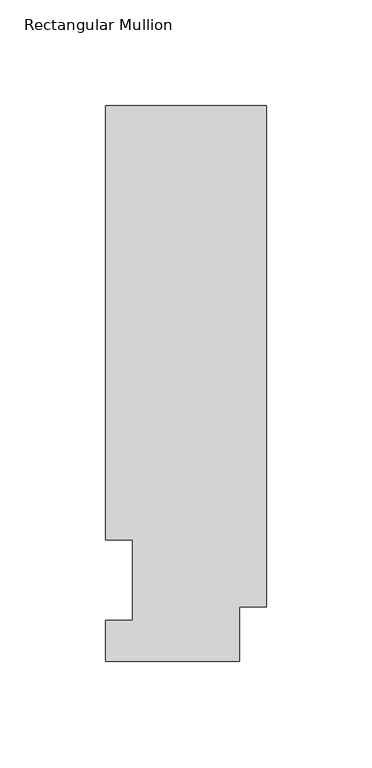
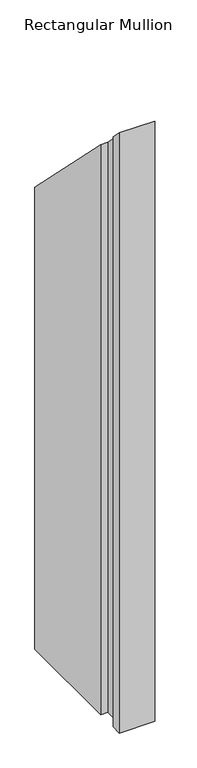
"""IFC4 building model written with IfcOpenShell, lengths in millimetres: member geometry, Rectangular Mullion."""

from ifc_helpers import new_model, si_unit, origin, place, context, project, spatial, faceted_brep, source, transform, mapped, element, save


def rectangular_mullion_7ae78ae8(model_context):
    return source(origin(), model_context, "Body", "Brep", [
        faceted_brep([(0.0, 263.2336938, -1143.0134937), (0.0, 25.8955957, -1143.0134937), (-12.7, 25.8955957, -1143.0134937), (-12.7, 0.0134938, -1143.0134937), (-76.2, 0.0134938, -1143.0134937), (-76.2, 19.5460938, -1143.0134937), (-63.5, 19.5460938, -1143.0134937), (-63.5, 57.6460938, -1143.0134937), (-76.2, 57.6460937, -1143.0134937), (-76.2, 263.2336938, -1143.0134937), (-76.2, 263.2336938, -263.2336938), (0.0, 263.2336938, -263.2336938), (-76.2, 57.6460937, -57.6460938), (-63.5, 57.6460937, -57.6460938), (-63.5, 19.5460938, -19.5460938), (-76.2, 19.5460938, -19.5460938), (-76.2, 0.0134938, -0.0134938), (-12.7, 0.0134938, -0.0134938), (-12.7, 25.8955957, -25.8955957), (0.0, 25.8955957, -25.8955957)], [[[0, 1, 2, 3, 4, 5, 6, 7, 8, 9]], [[10, 11, 0, 9]], [[12, 10, 9, 8]], [[13, 12, 8, 7]], [[14, 13, 7, 6]], [[15, 14, 6, 5]], [[16, 15, 5, 4]], [[17, 16, 4, 3]], [[18, 17, 3, 2]], [[19, 18, 2, 1]], [[11, 19, 1, 0]], [[11, 10, 12, 13, 14, 15, 16, 17, 18, 19]]]),
    ])


if __name__ == "__main__":
    model = new_model("IFC4")
    model_context = context("Model", 3, world=origin())
    ifc_project = project(units=[si_unit("LENGTHUNIT", "METRE", prefix="MILLI")], contexts=[model_context])
    site = spatial("IfcSite", under=ifc_project)
    building = spatial("IfcBuilding", under=site)
    placement = place(None, origin())
    rectangular_mullion_shape = rectangular_mullion_7ae78ae8(model_context)
    element("IfcMember", 1, ObjectType="Rectangular Mullion", at=placement, inside=building, context=model_context, shape_type="MappedRepresentation", body=[
        mapped(rectangular_mullion_shape, transform((0.0, 0.0, 0.0), x_axis=(1.0, 0.0, 0.0), y_axis=(0.0, 1.0, 0.0), z_axis=(0.0, 0.0, 1.0))),
    ])
    save(model, "model.ifc")
